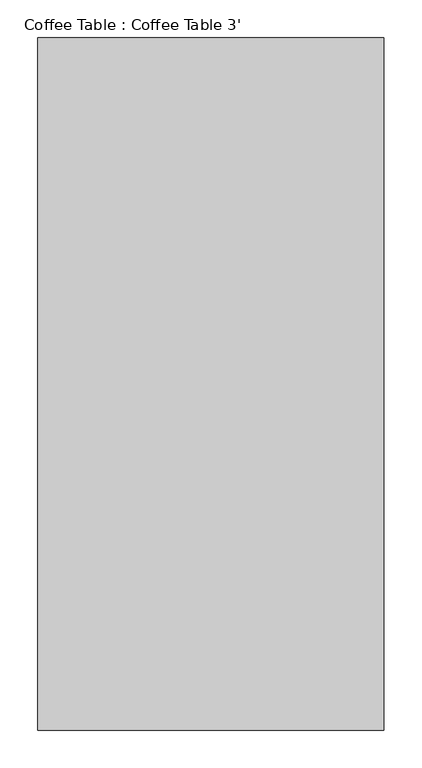
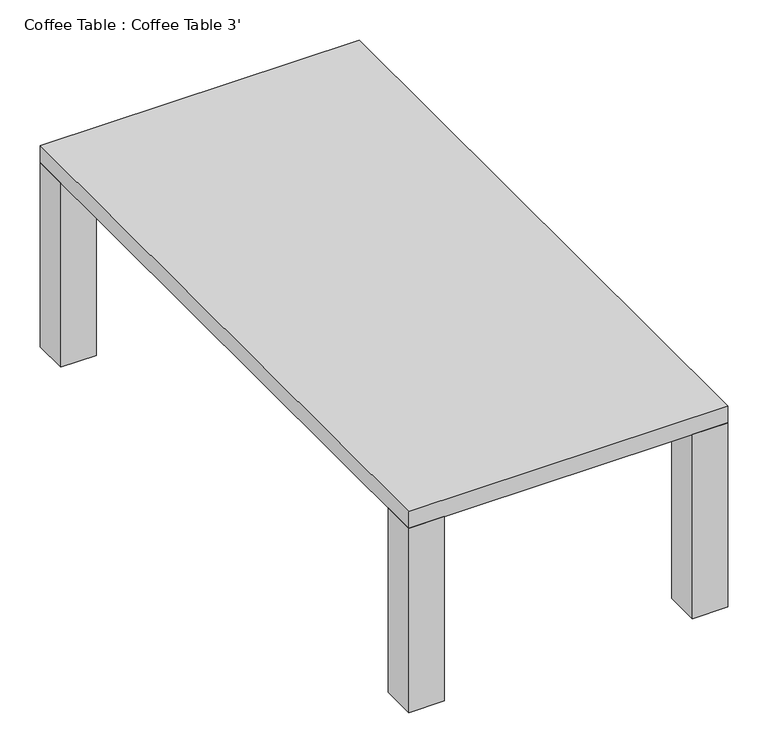
"""IFC4 building model written with IfcOpenShell, lengths in millimetres: furniture geometry, Coffee Table : Coffee Table 3'."""

from ifc_helpers import new_model, si_unit, frame, origin, origin_with_axes, place, context, project, spatial, polyline, outline, extrude, source, transform, mapped, element, save


def coffee_table_coffee_table_3_d44e6f25(model_context):
    return source(origin(), model_context, "Body", "SweptSolid", [
        extrude(outline(polyline([(50.8, -863.6), (50.8, -914.4), (0.0, -914.4), (0.0, -863.6), (50.8, -863.6)])), origin_with_axes(), (0.0, 0.0, 1.0), 279.4),
        extrude(outline(polyline([(457.2, -863.6), (457.2, -914.4), (406.4, -914.4), (406.4, -863.6), (457.2, -863.6)])), origin_with_axes(), (0.0, 0.0, 1.0), 279.4),
        extrude(outline(polyline([(457.2, 0.0), (457.2, -50.8), (406.4, -50.8), (406.4, 0.0), (457.2, 0.0)])), origin_with_axes(), (0.0, 0.0, 1.0), 279.4),
        extrude(outline(polyline([(50.8, 0.0), (50.8, -50.8), (0.0, -50.8), (0.0, 0.0), (50.8, 0.0)])), origin_with_axes(), (0.0, 0.0, 1.0), 279.4),
        extrude(outline(polyline([(457.2, 0.0), (457.2, -914.4), (0.0, -914.4), (0.0, 0.0), (457.2, 0.0)])), frame((0.0, 0.0, 279.4), z_axis=(0.0, 0.0, 1.0), x_axis=(1.0, 0.0, 0.0)), (0.0, 0.0, 1.0), 25.4),
    ])


if __name__ == "__main__":
    model = new_model("IFC4")
    model_context = context("Model", 3, world=origin())
    ifc_project = project(units=[si_unit("LENGTHUNIT", "METRE", prefix="MILLI")], contexts=[model_context])
    site = spatial("IfcSite", under=ifc_project)
    building = spatial("IfcBuilding", under=site)
    placement = place(None, origin())
    coffee_table_coffee_table_3_shape = coffee_table_coffee_table_3_d44e6f25(model_context)
    element("IfcFurniture", 1, ObjectType="Coffee Table : Coffee Table 3'", at=placement, inside=building, context=model_context, shape_type="MappedRepresentation", body=[
        mapped(coffee_table_coffee_table_3_shape, transform((0.0, 0.0, 0.0), x_axis=(1.0, 0.0, 0.0), y_axis=(0.0, 1.0, 0.0), z_axis=(0.0, 0.0, 1.0))),
    ])
    save(model, "model.ifc")
